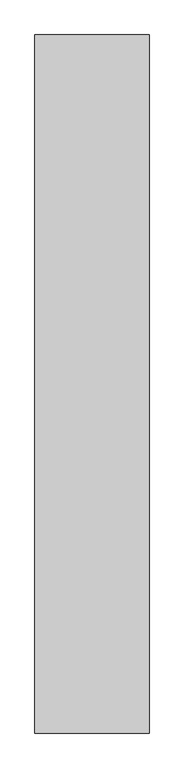
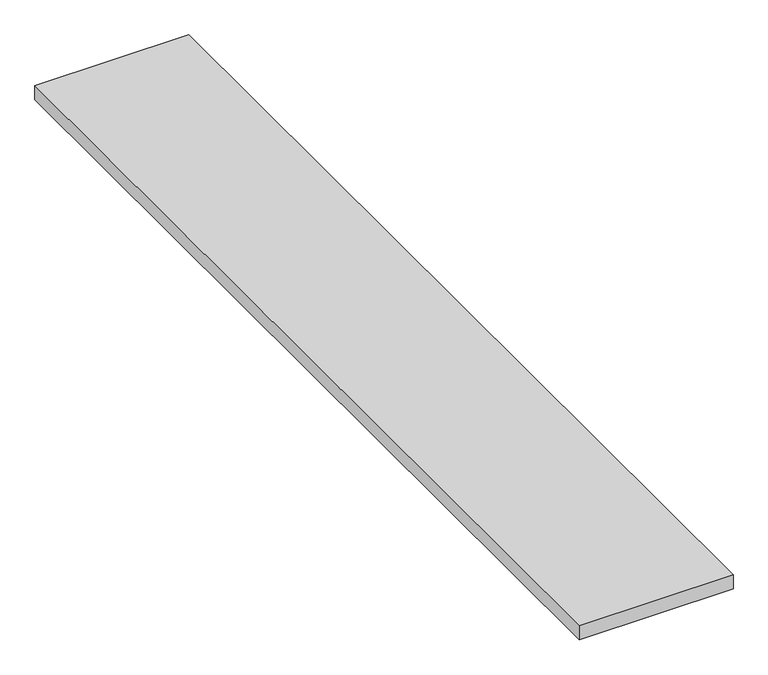
"""IFC4 building model written with IfcOpenShell, lengths in millimetres: proxy geometry."""

from ifc_helpers import new_model, si_unit, frame, origin, place, context, project, spatial, polyline, outline, extrude, source, transform, mapped, element, save


def generic_models_962554cc(model_context):
    return source(origin(), model_context, "Body", "SweptSolid", [
        extrude(outline(polyline([(36536.9618587, -18662.4264268), (37605.2710168, -18662.4264268), (37605.2710168, -25196.3529893), (36536.9618587, -25196.3529893), (36536.9618587, -18662.4264268)])), frame((0.0, 0.0, 4572.0), z_axis=(0.0, 0.0, 1.0), x_axis=(1.0, 0.0, 0.0)), (0.0, 0.0, 1.0), 101.6),
    ])


if __name__ == "__main__":
    model = new_model("IFC4")
    model_context = context("Model", 3, world=origin())
    ifc_project = project(units=[si_unit("LENGTHUNIT", "METRE", prefix="MILLI")], contexts=[model_context])
    site = spatial("IfcSite", under=ifc_project)
    building = spatial("IfcBuilding", under=site)
    placement = place(None, origin())
    generic_models_shape = generic_models_962554cc(model_context)
    element("IfcBuildingElementProxy", 1, Name="Generic Models", at=placement, inside=building, context=model_context, shape_type="MappedRepresentation", body=[
        mapped(generic_models_shape, transform((0.0, 0.0, 0.0), x_axis=(1.0, 0.0, 0.0), y_axis=(0.0, 1.0, 0.0), z_axis=(0.0, 0.0, 1.0))),
    ])
    save(model, "model.ifc")
